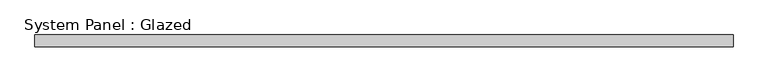
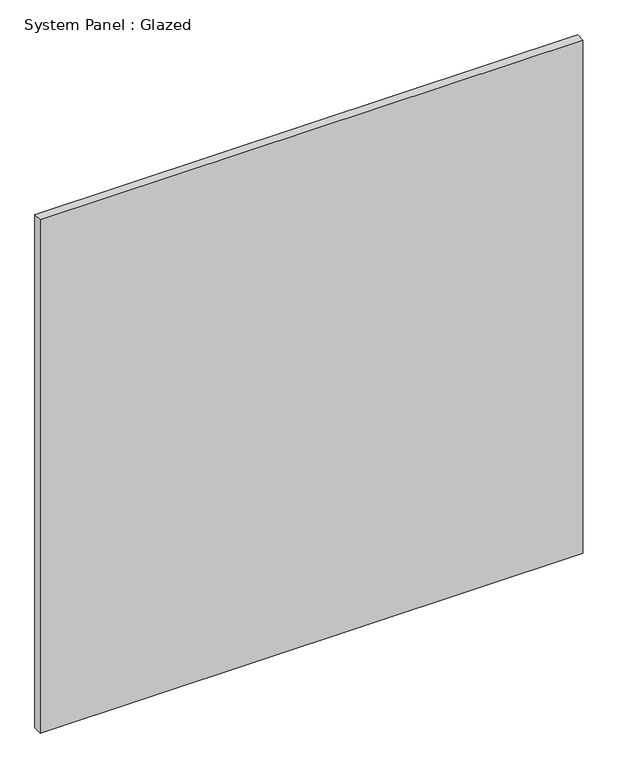
"""IFC4 building model written with IfcOpenShell, lengths in millimetres: plate geometry, System Panel : Glazed."""

from ifc_helpers import new_model, si_unit, origin, origin_with_axes, place, context, project, spatial, polyline, outline, extrude, source, transform, mapped, element, save


def system_panel_glazed_afe70ed6(model_context):
    return source(origin(), model_context, "Body", "SweptSolid", [
        extrude(outline(polyline([(762.0, 19.05), (-762.0, 19.05), (-762.0, 44.45), (762.0, 44.45), (762.0, 19.05)])), origin_with_axes(), (0.0, 0.0, 1.0), 1524.0),
    ])


if __name__ == "__main__":
    model = new_model("IFC4")
    model_context = context("Model", 3, world=origin())
    ifc_project = project(units=[si_unit("LENGTHUNIT", "METRE", prefix="MILLI")], contexts=[model_context])
    site = spatial("IfcSite", under=ifc_project)
    building = spatial("IfcBuilding", under=site)
    placement = place(None, origin())
    system_panel_glazed_shape = system_panel_glazed_afe70ed6(model_context)
    element("IfcPlate", 1, ObjectType="System Panel : Glazed", at=placement, inside=building, context=model_context, shape_type="MappedRepresentation", body=[
        mapped(system_panel_glazed_shape, transform((0.0, 0.0, 0.0), x_axis=(1.0, 0.0, 0.0), y_axis=(0.0, 1.0, 0.0), z_axis=(0.0, 0.0, 1.0))),
    ])
    save(model, "model.ifc")
